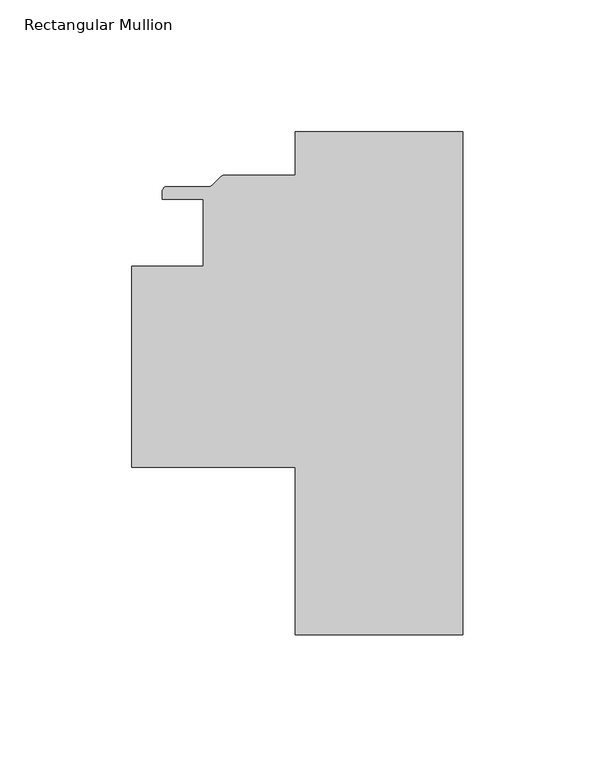
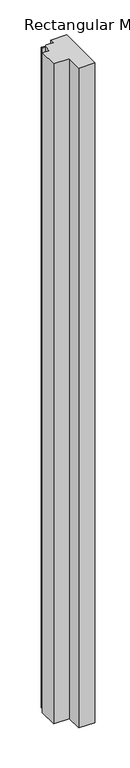
"""IFC4 building model written with IfcOpenShell, lengths in millimetres: member geometry, Rectangular Mullion."""

from ifc_helpers import new_model, si_unit, point, frame, frame_2d, origin, place, context, project, spatial, polyline, circle_curve, trimmed, segment, composite_curve, outline, extrude, source, transform, mapped, element, save


def rectangular_mullion_d3c09580(model_context):
    return source(origin(), model_context, "Body", "SweptSolid", [
        extrude(outline(composite_curve([segment(polyline([(0.0, -190.499995), (-63.5, -190.499995), (-63.5, -126.999995), (-125.4087917, -126.999995), (-125.4087917, -50.799995), (-98.4212916, -50.799995), (-98.4212916, -25.4007941), (-113.9224412, -25.4007941), (-113.9224412, -22.479794)]), True, "CONTINUOUS"), segment(trimmed(circle_curve(frame_2d((-112.1444412, -22.479794)), 1.778), [point((-113.9224412, -22.479794))], [point((-112.1444412, -20.701794))], False, "CARTESIAN"), True, "CONTINUOUS"), segment(polyline([(-112.1444412, -20.701794), (-96.2764051, -20.701794)]), True, "CONTINUOUS"), segment(trimmed(circle_curve(frame_2d((-96.2764051, -18.923794)), 1.778), [point((-96.2764051, -20.701794))], [point((-95.0191693, -20.1810299))], True, "CARTESIAN"), True, "CONTINUOUS"), segment(polyline([(-95.0191693, -20.1810299), (-91.7934976, -16.9553581)]), True, "CONTINUOUS"), segment(trimmed(circle_curve(frame_2d((-90.5362617, -18.212594)), 1.778), [point((-91.7934976, -16.9553581))], [point((-90.5362617, -16.434594))], False, "CARTESIAN"), True, "CONTINUOUS"), segment(polyline([(-90.5362617, -16.434594), (-63.5, -16.434594), (-63.5, 5e-06), (0.0, 5e-06), (0.0, -190.499995)]), True, "CONTINUOUS")], self_intersect=False)), frame((0.0, 0.0, -2743.2), z_axis=(0.0, 0.0, 1.0), x_axis=(1.0, 0.0, 0.0)), (0.0, 0.0, 1.0), 2743.2),
    ])


if __name__ == "__main__":
    model = new_model("IFC4")
    model_context = context("Model", 3, world=origin())
    ifc_project = project(units=[si_unit("LENGTHUNIT", "METRE", prefix="MILLI")], contexts=[model_context])
    site = spatial("IfcSite", under=ifc_project)
    building = spatial("IfcBuilding", under=site)
    placement = place(None, origin())
    rectangular_mullion_shape = rectangular_mullion_d3c09580(model_context)
    element("IfcMember", 1, ObjectType="Rectangular Mullion", at=placement, inside=building, context=model_context, shape_type="MappedRepresentation", body=[
        mapped(rectangular_mullion_shape, transform((0.0, 0.0, 0.0), x_axis=(1.0, 0.0, 0.0), y_axis=(0.0, 1.0, 0.0), z_axis=(0.0, 0.0, 1.0))),
    ])
    save(model, "model.ifc")
